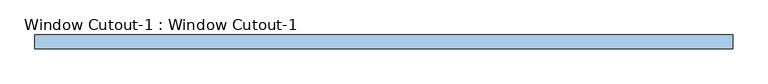
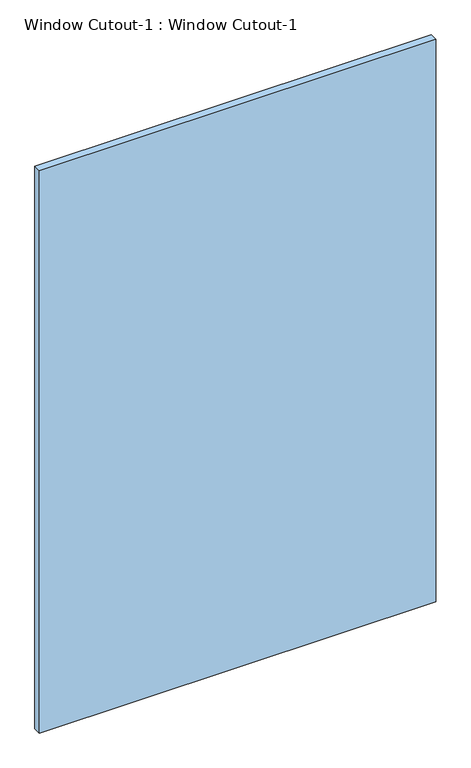
"""IFC4 building model written with IfcOpenShell, lengths in millimetres: window geometry, Window Cutout-1 : Window Cutout-1."""

from ifc_helpers import new_model, si_unit, frame, origin, place, context, project, spatial, polyline, outline, extrude, source, transform, mapped, element, save


def window_cutout_1_window_cutout_1_b9c0c349(model_context):
    return source(origin(), model_context, "Body", "SweptSolid", [
        extrude(outline(polyline([(-500.0, 137.5), (500.0, 137.5), (500.0, 117.5), (-500.0, 117.5), (-500.0, 137.5)])), frame((0.0, 0.0, 800.0), z_axis=(0.0, 0.0, 1.0), x_axis=(1.0, 0.0, 0.0)), (0.0, 0.0, 1.0), 1500.0),
    ])


if __name__ == "__main__":
    model = new_model("IFC4")
    model_context = context("Model", 3, world=origin())
    ifc_project = project(units=[si_unit("LENGTHUNIT", "METRE", prefix="MILLI")], contexts=[model_context])
    site = spatial("IfcSite", under=ifc_project)
    building = spatial("IfcBuilding", under=site)
    placement = place(None, origin())
    window_cutout_1_window_cutout_1_shape = window_cutout_1_window_cutout_1_b9c0c349(model_context)
    element("IfcWindow", 1, ObjectType="Window Cutout-1 : Window Cutout-1", at=placement, inside=building, context=model_context, shape_type="MappedRepresentation", body=[
        mapped(window_cutout_1_window_cutout_1_shape, transform((0.0, 0.0, 0.0), x_axis=(1.0, 0.0, 0.0), y_axis=(0.0, 1.0, 0.0), z_axis=(0.0, 0.0, 1.0))),
    ])
    save(model, "model.ifc")
